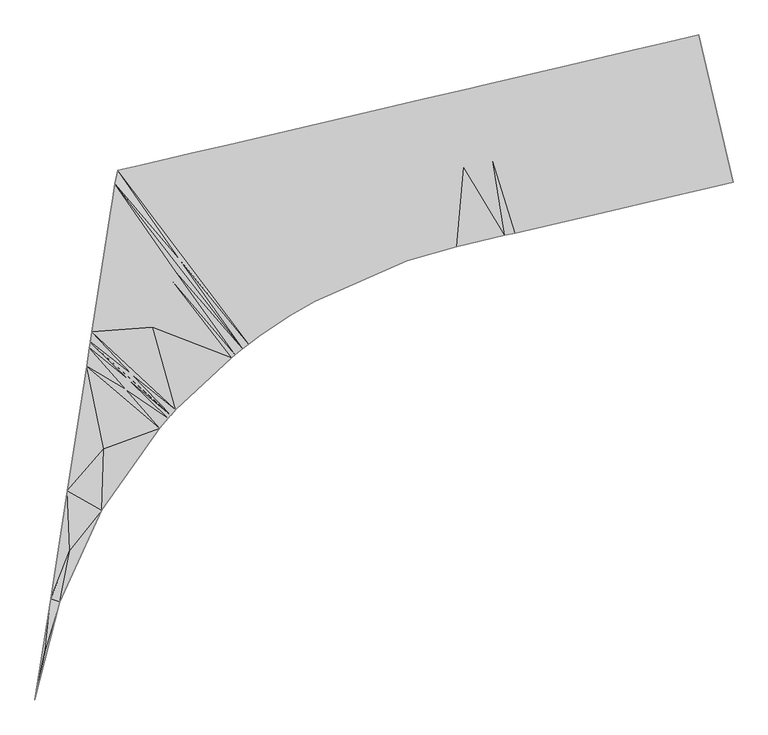
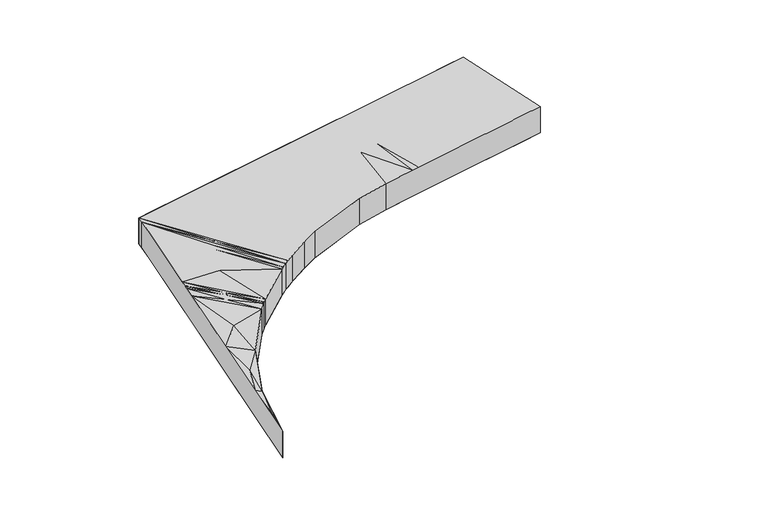
"""IFC4 building model written with IfcOpenShell, lengths in millimetres: proxy geometry."""

from ifc_helpers import new_model, si_unit, origin, place, context, project, spatial, triangles, source, transform, mapped, element, save


def roads_8d197b66(model_context):
    return source(origin(), model_context, "Body", "Tessellation", [
        triangles([(-15143.6663452, -12775.0179016, 283151.5725586), (-15143.6663452, -12775.0179016, 282301.5779297), (-15772.4465698, -12921.7240631, 282323.7533203), (-15772.4465698, -12921.7240631, 283173.7479492), (-14462.0195801, -15696.5512024, 282224.4663574), (-15117.233075, -14309.1370514, 282274.0819336), (-15090.7998047, -15843.2573639, 282246.567334), (-14462.0195801, -15696.5512024, 283074.4609863), (-15090.7998047, -15843.2573639, 283096.5619629), (-15117.233075, -14309.1370514, 283124.095166), (-16460.3952759, -13082.2340332, 282348.961084), (-16460.3952759, -13082.2340332, 283198.9743164), (-15775.5975403, -14462.7451172, 282297.7456055), (-15778.747348, -16003.767334, 282271.7006836), (-15778.747348, -16003.767334, 283121.6953125), (-15775.5975403, -14462.7451172, 283147.7402344), (-17720.1358246, -13376.1556274, 282396.1954102), (-17720.1358246, -13376.1556274, 283246.1900391), (-16749.4415863, -14689.9614807, 282333.8736328), (-17038.4878967, -16297.6889282, 282318.6373535), (-17038.4878967, -16297.6889282, 283168.6319824), (-16749.4415863, -14689.9614807, 283183.8682617), (-19467.7035736, -13783.894693, 282461.6983887), (-19467.7035736, -13783.894693, 283311.7116211), (-18253.0963165, -15040.7912292, 282390.0748535), (-18786.0568085, -16705.4279938, 282383.7682617), (-18786.0568085, -16705.4279938, 283233.7628906), (-18253.0963165, -15040.7912292, 283240.0694824), (-19667.8250793, -13830.5871918, 282469.214209), (-19667.8250793, -13830.5871918, 283319.2088379), (-19226.9403625, -15268.0075928, 282425.8494141), (-18986.1771515, -16752.1204926, 282388.7167969), (-18986.1771515, -16752.1204926, 283238.7114258), (-19226.9403625, -15268.0075928, 283275.844043), (-19805.2748291, -15402.9435425, 283293.8336426), (-19805.2748291, -15402.9435425, 282443.8390137), (-20624.3736694, -14053.7665924, 282505.0631836), (-19942.7245789, -16975.2998932, 282412.3618652), (-19942.7245789, -16975.2998932, 283262.3750977), (-20624.3736694, -14053.7665924, 283355.076416), (-21889.4359863, -14348.9299713, 282552.5021484), (-21889.4359863, -14348.9299713, 283402.4967773), (-20844.5741821, -15657.5093994, 282476.7114258), (-20921.7624939, -17252.0411407, 282436.8812988), (-20921.7624939, -17252.0411407, 283286.8759277), (-20844.5741821, -15657.5093994, 283326.7060547), (-22506.0030029, -16150.7537109, 282530.8290527), (-24461.4510864, -14949.0282257, 282648.9241699), (-22751.3624451, -18053.0143433, 282485.0458008), (-22751.3624451, -18053.0143433, 283335.0590332), (-22506.0030029, -16150.7537109, 283380.8422852), (-24461.4510864, -14949.0282257, 283498.9187988), (-25215.9352661, -15125.0628296, 282677.2015137), (-25215.9352661, -15125.0628296, 283527.1961426), (-23914.9332825, -16615.0928101, 282577.3936523), (-23230.9820068, -18333.2670044, 282498.440332), (-23230.9820068, -18333.2670044, 283348.4349609), (-23914.9332825, -16615.0928101, 283427.4068848), (-26216.5114014, -15358.514859, 282714.7062012), (-26216.5114014, -15358.514859, 283564.7194336), (-24621.087854, -16885.480957, 282601.4666016), (-23820.9227417, -18725.0779724, 282515.4997559), (-23820.9227417, -18725.0779724, 283365.4943848), (-24621.087854, -16885.480957, 283451.4612305), (-26661.0912415, -15462.244574, 282731.3749512), (-26661.0912415, -15462.244574, 283581.3695801), (-25191.0646912, -17112.5647705, 282621.0933105), (-24065.738031, -18904.4228394, 282522.8109375), (-24065.738031, -18904.4228394, 283372.8055664), (-25191.0646912, -17112.5647705, 283471.106543), (-26720.0388062, -15726.5912292, 282783.8740723), (-26720.0388062, -15726.5912292, 283633.8873047), (-25407.9119202, -17272.1782837, 282641.1292969), (-24184.7772766, -18995.4568176, 282526.4200195), (-24184.7772766, -18995.4568176, 283376.4146484), (-25407.9119202, -17272.1782837, 283491.1239258), (-26773.8076172, -16073.3351807, 282782.1625488), (-26773.8076172, -16073.3351807, 283632.1571777), (-25502.7968262, -17476.8750916, 282655.8446777), (-24332.5659302, -19112.115976, 282530.9592773), (-24332.5659302, -19112.115976, 283380.9539063), (-25502.7968262, -17476.8750916, 283505.8579102), (-26800.1594971, -16243.2794586, 283631.3200195), (-26800.1594971, -16243.2794586, 282781.3253906), (-25578.1271118, -17650.0842865, 282656.9050781), (-24405.9730774, -19171.6088562, 282533.2289063), (-24405.9730774, -19171.6088562, 283383.2235352), (-25578.1271118, -17650.0842865, 283506.9183105), (-25972.6402405, -18571.4245605, 282662.9884277), (-27175.3552002, -18662.8050293, 282767.6890137), (-25509.0685364, -20208.0037354, 282569.7104004), (-25509.0685364, -20208.0037354, 283419.7050293), (-25972.6402405, -18571.4245605, 283512.9830566), (-27175.3552002, -18662.8050293, 283617.6836426), (-27206.5788757, -18864.167157, 282766.5169922), (-27206.5788757, -18864.167157, 283616.5302246), (-26373.8483093, -19511.7764648, 282669.2578125), (-25604.3929504, -20312.1276123, 282573.1148438), (-25604.3929504, -20312.1276123, 283423.1094727), (-26373.8483093, -19511.7764648, 283519.2524414), (-27207.2369751, -18868.4099213, 282766.4983887), (-27207.2369751, -18868.4099213, 283616.4930176), (-26406.1533142, -19589.7647278, 282669.8345215), (-25606.4044556, -20314.3553833, 282573.1892578), (-25606.4044556, -20314.3553833, 283423.1838867), (-26406.1533142, -19589.7647278, 283519.8291504), (-27207.8950745, -18872.6503601, 283616.4744141), (-27207.8950745, -18872.6503601, 282766.4797852), (-26407.4881165, -19592.9994141, 282669.853125), (-25608.4136353, -20316.5808289, 282573.2636719), (-25608.4136353, -20316.5808289, 283423.2583008), (-26407.4881165, -19592.9994141, 283519.8477539), (-27224.1871033, -18977.7113892, 282765.8658691), (-27224.1871033, -18977.7113892, 283615.860498), (-26424.6893921, -19634.7805847, 282670.1693848), (-25658.2594299, -20372.1751099, 282575.0496094), (-25658.2594299, -20372.1751099, 283425.0628418), (-26424.6893921, -19634.7805847, 283520.1640137), (-26498.5081421, -19815.4858337, 282671.5088379), (-27280.5394775, -19341.1124634, 282763.7450684), (-25831.0488831, -20570.9490234, 282581.3934082), (-25831.0488831, -20570.9490234, 283431.4066406), (-26498.5081421, -19815.4858337, 283521.5220703), (-27280.5394775, -19341.1124634, 283613.7583008), (-27663.6416748, -21811.6314331, 283599.3963867), (-27663.6416748, -21811.6314331, 282749.3831543), (-26938.7091797, -20982.1495056, 282681.0338379), (-26979.6066833, -22204.9027771, 282629.5765137), (-26979.6066833, -22204.9027771, 283479.5711426), (-26938.7091797, -20982.1495056, 283531.0284668), (-27996.0353394, -23955.1447815, 283586.9320313), (-27996.0353394, -23955.1447815, 282736.9187988), (-27613.2680054, -22997.8218201, 282698.4095215), (-27813.7859985, -24019.6036377, 282677.7410156), (-27813.7859985, -24019.6036377, 283527.7356445), (-27613.2680054, -22997.8218201, 283548.4041504), (-28306.1838501, -25955.2110718, 282725.2916016), (-28306.1838501, -25955.2110718, 283575.304834), (-28105.5216797, -24971.2967102, 282716.4735352), (-28306.0838562, -25955.2273499, 282725.9055176), (-28306.0838562, -25955.2273499, 283575.91875), (-28105.5216797, -24971.2967102, 283566.4681641)], [[4, 1, 3], [2, 3, 1], [5, 6, 2], [3, 2, 6], [7, 3, 6], [7, 6, 5], [9, 7, 8], [5, 8, 7], [1, 10, 8], [9, 8, 10], [4, 9, 10], [4, 10, 1], [12, 4, 11], [3, 11, 4], [7, 13, 3], [11, 3, 13], [14, 11, 13], [14, 13, 7], [7, 9, 14], [15, 14, 9], [4, 16, 9], [15, 9, 16], [12, 15, 16], [12, 16, 4], [11, 17, 12], [18, 12, 17], [14, 19, 11], [17, 11, 19], [20, 17, 19], [20, 19, 14], [14, 15, 20], [21, 20, 15], [12, 22, 15], [21, 15, 22], [18, 21, 22], [18, 22, 12], [17, 23, 18], [24, 18, 23], [20, 25, 17], [23, 17, 25], [26, 23, 25], [26, 25, 20], [27, 26, 21], [20, 21, 26], [18, 28, 21], [27, 21, 28], [24, 27, 28], [24, 28, 18], [23, 29, 24], [30, 24, 29], [26, 31, 23], [29, 23, 31], [32, 31, 26], [26, 27, 32], [33, 32, 27], [24, 34, 27], [33, 27, 34], [34, 30, 35], [35, 33, 34], [30, 34, 24], [36, 29, 31], [31, 32, 36], [37, 29, 36], [38, 37, 36], [38, 36, 32], [32, 33, 38], [39, 38, 33], [39, 33, 35], [40, 39, 35], [40, 35, 30], [37, 41, 40], [29, 37, 30], [40, 30, 37], [42, 40, 41], [38, 43, 37], [41, 37, 43], [44, 41, 43], [44, 43, 38], [38, 39, 44], [45, 44, 39], [40, 46, 39], [45, 39, 46], [42, 45, 46], [42, 46, 40], [44, 47, 41], [48, 41, 47], [49, 48, 47], [49, 47, 44], [50, 49, 45], [44, 45, 49], [42, 51, 45], [50, 45, 51], [52, 50, 51], [52, 51, 42], [48, 53, 52], [41, 48, 42], [52, 42, 48], [54, 52, 53], [49, 55, 48], [53, 48, 55], [56, 53, 55], [56, 55, 49], [57, 56, 50], [49, 50, 56], [52, 58, 50], [57, 50, 58], [54, 57, 58], [54, 58, 52], [60, 54, 59], [53, 59, 54], [56, 61, 53], [59, 53, 61], [62, 59, 61], [62, 61, 56], [63, 62, 57], [56, 57, 62], [54, 64, 57], [63, 57, 64], [60, 63, 64], [60, 64, 54], [66, 60, 65], [59, 65, 60], [62, 67, 59], [65, 59, 67], [68, 65, 67], [68, 67, 62], [62, 63, 68], [69, 68, 63], [60, 70, 63], [69, 63, 70], [66, 69, 70], [66, 70, 60], [65, 71, 66], [72, 66, 71], [68, 73, 65], [73, 71, 65], [74, 71, 73], [74, 73, 68], [75, 74, 69], [68, 69, 74], [66, 76, 69], [75, 69, 76], [72, 75, 76], [66, 72, 76], [72, 71, 78], [77, 78, 71], [74, 79, 71], [79, 77, 71], [80, 77, 79], [80, 79, 74], [81, 80, 75], [74, 75, 80], [72, 82, 75], [81, 75, 82], [78, 81, 82], [72, 78, 82], [84, 83, 77], [78, 77, 83], [80, 85, 77], [85, 84, 77], [86, 84, 85], [86, 85, 80], [87, 86, 81], [80, 81, 86], [78, 88, 81], [87, 81, 88], [83, 87, 88], [78, 83, 88], [86, 89, 84], [90, 84, 89], [91, 90, 89], [91, 89, 86], [92, 91, 87], [86, 87, 91], [83, 93, 87], [92, 87, 93], [94, 92, 93], [94, 93, 83], [95, 96, 90], [90, 96, 94], [94, 83, 84], [94, 84, 90], [91, 97, 90], [97, 95, 90], [98, 95, 97], [98, 97, 91], [99, 98, 92], [91, 92, 98], [94, 100, 92], [99, 92, 100], [96, 99, 100], [94, 96, 100], [102, 96, 95], [95, 101, 102], [98, 103, 95], [103, 101, 95], [104, 101, 103], [98, 104, 103], [99, 105, 104], [104, 98, 99], [96, 106, 99], [106, 105, 99], [102, 105, 106], [96, 102, 106], [101, 108, 107], [107, 102, 101], [104, 109, 101], [109, 108, 101], [110, 108, 109], [104, 110, 109], [105, 111, 110], [110, 104, 105], [102, 112, 105], [112, 111, 105], [107, 111, 112], [102, 107, 112], [107, 108, 114], [113, 114, 108], [110, 115, 108], [115, 113, 108], [116, 113, 115], [116, 115, 110], [117, 116, 111], [110, 111, 116], [107, 118, 111], [117, 111, 118], [114, 117, 118], [107, 114, 118], [116, 119, 113], [119, 120, 113], [121, 120, 119], [121, 119, 116], [122, 121, 117], [116, 117, 121], [114, 123, 117], [122, 117, 123], [124, 122, 123], [114, 124, 123], [126, 125, 120], [120, 125, 124], [124, 114, 113], [124, 113, 120], [121, 127, 120], [126, 120, 127], [128, 126, 127], [128, 127, 121], [121, 122, 128], [129, 128, 122], [124, 130, 122], [129, 122, 130], [125, 129, 130], [125, 130, 124], [132, 131, 126], [125, 126, 131], [128, 133, 126], [132, 126, 133], [134, 132, 133], [134, 133, 128], [128, 129, 134], [135, 134, 129], [125, 136, 129], [135, 129, 136], [131, 135, 136], [131, 136, 125], [131, 132, 138], [137, 138, 132], [132, 134, 139], [137, 132, 139], [140, 137, 139], [140, 139, 134], [134, 135, 140], [141, 140, 135], [131, 142, 135], [141, 135, 142], [142, 138, 141], [138, 142, 131], [1, 8, 2], [5, 2, 8]], closed=False),
    ])


if __name__ == "__main__":
    model = new_model("IFC4")
    model_context = context("Model", 3, world=origin())
    ifc_project = project(units=[si_unit("LENGTHUNIT", "METRE", prefix="MILLI")], contexts=[model_context])
    site = spatial("IfcSite", under=ifc_project)
    building = spatial("IfcBuilding", under=site)
    placement = place(None, origin())
    roads_shape = roads_8d197b66(model_context)
    element("IfcBuildingElementProxy", 1, Name="Roads", at=placement, inside=building, context=model_context, shape_type="MappedRepresentation", body=[
        mapped(roads_shape, transform((0.0, 0.0, 0.0), x_axis=(1.0, 0.0, 0.0), y_axis=(0.0, 1.0, 0.0), z_axis=(0.0, 0.0, 1.0))),
    ])
    save(model, "model.ifc")
